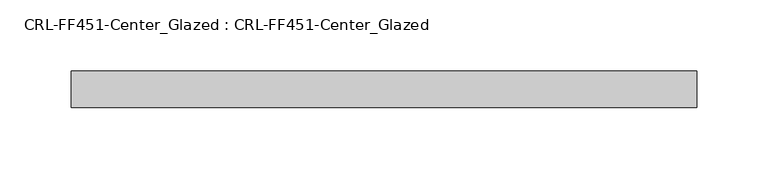
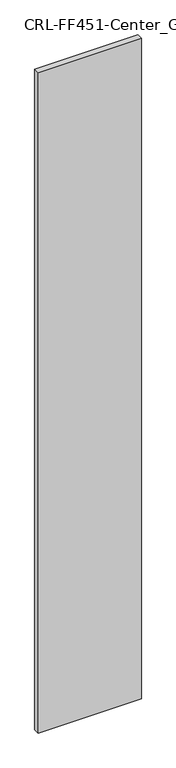
"""IFC4 building model written with IfcOpenShell, lengths in millimetres: plate geometry, CRL-FF451-Center_Glazed : CRL-FF451-Center_Glazed."""

from ifc_helpers import new_model, si_unit, origin, origin_with_axes, place, context, project, spatial, polyline, outline, extrude, source, transform, mapped, element, save


def crl_ff451_center_glazed_crl_ff451_center_glazed_88cd2f1b(model_context):
    return source(origin(), model_context, "Body", "SweptSolid", [
        extrude(outline(polyline([(-218.6348733, -12.709956), (-218.6348733, 12.709956), (218.6348733, 12.709956), (218.6348733, -12.709956), (-218.6348733, -12.709956)])), origin_with_axes(), (0.0, 0.0, 1.0), 2959.090259),
    ])


if __name__ == "__main__":
    model = new_model("IFC4")
    model_context = context("Model", 3, world=origin())
    ifc_project = project(units=[si_unit("LENGTHUNIT", "METRE", prefix="MILLI")], contexts=[model_context])
    site = spatial("IfcSite", under=ifc_project)
    building = spatial("IfcBuilding", under=site)
    placement = place(None, origin())
    crl_ff451_center_glazed_crl_ff451_center_glazed_shape = crl_ff451_center_glazed_crl_ff451_center_glazed_88cd2f1b(model_context)
    element("IfcPlate", 1, ObjectType="CRL-FF451-Center_Glazed : CRL-FF451-Center_Glazed", at=placement, inside=building, context=model_context, shape_type="MappedRepresentation", body=[
        mapped(crl_ff451_center_glazed_crl_ff451_center_glazed_shape, transform((0.0, 0.0, 0.0), x_axis=(1.0, 0.0, 0.0), y_axis=(0.0, 1.0, 0.0), z_axis=(0.0, 0.0, 1.0))),
    ])
    save(model, "model.ifc")
